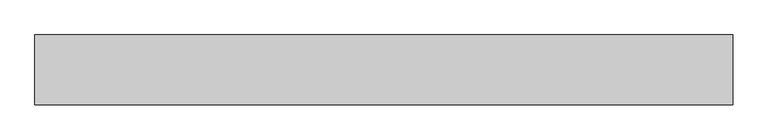
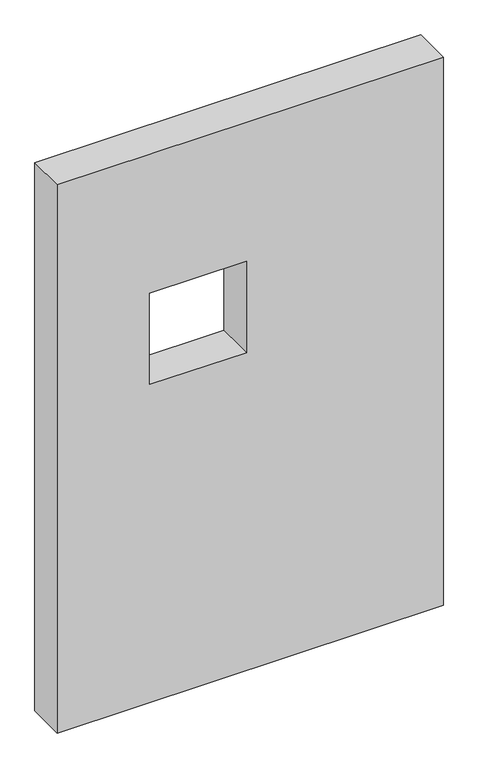
"""IFC4 building model written with IfcOpenShell, lengths in millimetres: proxy geometry."""

from ifc_helpers import new_model, si_unit, frame, origin, place, context, project, spatial, polyline, outline, extrude, source, transform, mapped, element, save


def generic_models_f8da0375(model_context):
    return source(origin(), model_context, "Body", "SweptSolid", [
        extrude(outline(polyline([(1500.0, 1000.0), (1500.0, 0.0), (0.0, 0.0), (0.0, 1000.0), (1500.0, 1000.0)]), holes=[polyline([(1120.0, 240.0), (1120.0, 490.0), (870.0, 490.0), (870.0, 240.0), (1120.0, 240.0)])]), frame((0.0, 0.0, 0.0), z_axis=(0.0, 1.0, 0.0), x_axis=(0.0, 0.0, 1.0)), (0.0, 0.0, 1.0), 100.0),
    ])


if __name__ == "__main__":
    model = new_model("IFC4")
    model_context = context("Model", 3, world=origin())
    ifc_project = project(units=[si_unit("LENGTHUNIT", "METRE", prefix="MILLI")], contexts=[model_context])
    site = spatial("IfcSite", under=ifc_project)
    building = spatial("IfcBuilding", under=site)
    placement = place(None, origin())
    generic_models_shape = generic_models_f8da0375(model_context)
    element("IfcBuildingElementProxy", 1, Name="Generic Models", at=placement, inside=building, context=model_context, shape_type="MappedRepresentation", body=[
        mapped(generic_models_shape, transform((0.0, 0.0, 0.0), x_axis=(1.0, 0.0, 0.0), y_axis=(0.0, 1.0, 0.0), z_axis=(0.0, 0.0, 1.0))),
    ])
    save(model, "model.ifc")
